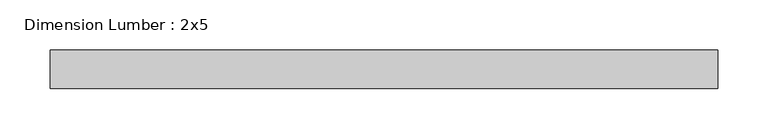
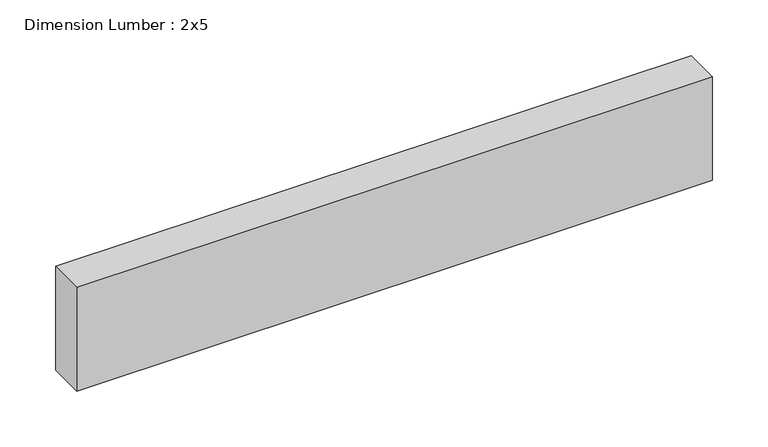
"""IFC4 building model written with IfcOpenShell, lengths in millimetres: beam geometry, Dimension Lumber : 2x5."""

from ifc_helpers import new_model, si_unit, frame, origin, place, context, project, spatial, polyline, outline, extrude, source, transform, mapped, element, save


def dimension_lumber_2x5_86840271(model_context):
    return source(origin(), model_context, "Body", "SweptSolid", [
        extrude(outline(polyline([(330.7011237, 19.05), (330.7011237, -19.05), (-330.7011237, -19.05), (-330.7011237, 19.05), (330.7011237, 19.05)])), frame((0.0, 0.0, -57.15), z_axis=(0.0, 0.0, 1.0), x_axis=(1.0, 0.0, 0.0)), (0.0, 0.0, 1.0), 114.3),
    ])


if __name__ == "__main__":
    model = new_model("IFC4")
    model_context = context("Model", 3, world=origin())
    ifc_project = project(units=[si_unit("LENGTHUNIT", "METRE", prefix="MILLI")], contexts=[model_context])
    site = spatial("IfcSite", under=ifc_project)
    building = spatial("IfcBuilding", under=site)
    placement = place(None, origin())
    dimension_lumber_2x5_shape = dimension_lumber_2x5_86840271(model_context)
    element("IfcBeam", 1, ObjectType="Dimension Lumber : 2x5", at=placement, inside=building, context=model_context, shape_type="MappedRepresentation", body=[
        mapped(dimension_lumber_2x5_shape, transform((0.0, 0.0, 0.0), x_axis=(1.0, 0.0, 0.0), y_axis=(0.0, 1.0, 0.0), z_axis=(0.0, 0.0, 1.0))),
    ])
    save(model, "model.ifc")
